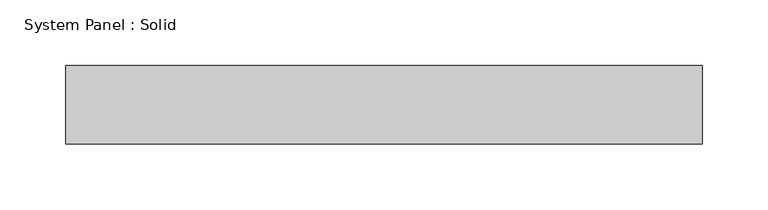
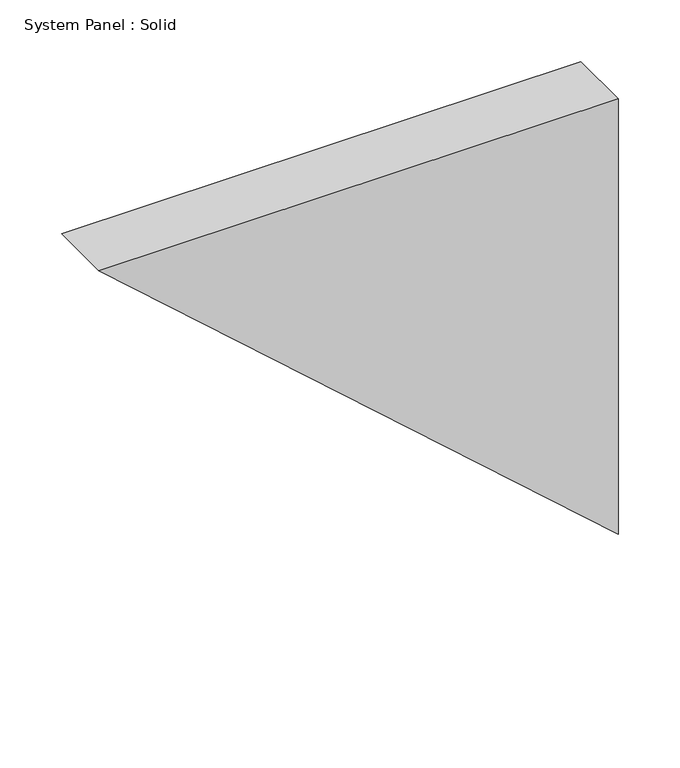
"""IFC4 building model written with IfcOpenShell, lengths in millimetres: plate geometry, System Panel : Solid."""

from ifc_helpers import new_model, si_unit, frame, origin, place, context, project, spatial, polyline, outline, extrude, source, transform, mapped, element, save


def system_panel_solid_3e2359fd(model_context):
    return source(origin(), model_context, "Body", "SweptSolid", [
        extrude(outline(polyline([(430.5632489, -242.6541727), (0.0, 242.6541727), (430.5632489, 242.6541727), (430.5632489, -242.6541727)])), frame((0.0, -10.5, 0.0), z_axis=(0.0, 1.0, 0.0), x_axis=(0.0, 0.0, 1.0)), (0.0, 0.0, 1.0), 60.0),
    ])


if __name__ == "__main__":
    model = new_model("IFC4")
    model_context = context("Model", 3, world=origin())
    ifc_project = project(units=[si_unit("LENGTHUNIT", "METRE", prefix="MILLI")], contexts=[model_context])
    site = spatial("IfcSite", under=ifc_project)
    building = spatial("IfcBuilding", under=site)
    placement = place(None, origin())
    system_panel_solid_shape = system_panel_solid_3e2359fd(model_context)
    element("IfcPlate", 1, ObjectType="System Panel : Solid", at=placement, inside=building, context=model_context, shape_type="MappedRepresentation", body=[
        mapped(system_panel_solid_shape, transform((0.0, 0.0, 0.0), x_axis=(1.0, 0.0, 0.0), y_axis=(0.0, 1.0, 0.0), z_axis=(0.0, 0.0, 1.0))),
    ])
    save(model, "model.ifc")
